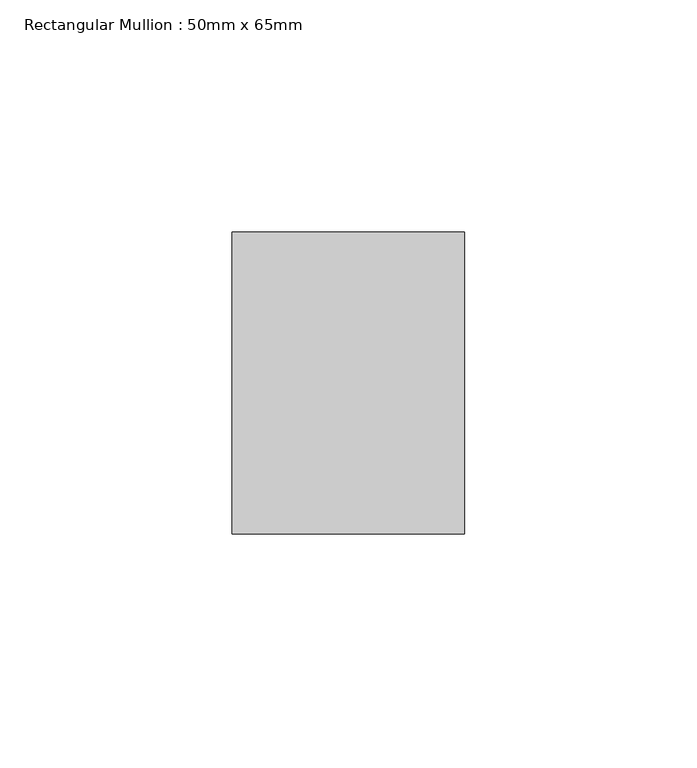
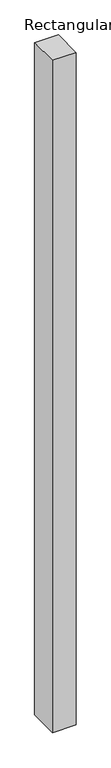
"""IFC4 building model written with IfcOpenShell, lengths in millimetres: member geometry, Rectangular Mullion : 50mm x 65mm."""

from ifc_helpers import new_model, si_unit, origin, place, context, project, spatial, faceted_brep, source, transform, mapped, element, save


def rectangular_mullion_50mm_x_65mm_5e16e530(model_context):
    return source(origin(), model_context, "Body", "Brep", [
        faceted_brep([(-25.0, 32.5, -0.0443359), (25.0, 32.5, -0.0443355), (25.0, 32.5, -1499.9018865), (-25.0, 32.5, -1499.9018857), (-25.0, -32.5, 0.0443355), (-25.0, -32.5, -1500.0980618), (25.0, -32.5, 0.0443359), (25.0, -32.5, -1500.0980625)], [[[0, 1, 2, 3]], [[4, 0, 3, 5]], [[6, 4, 5, 7]], [[1, 6, 7, 2]], [[1, 0, 4, 6]], [[2, 7, 5, 3]]]),
    ])


if __name__ == "__main__":
    model = new_model("IFC4")
    model_context = context("Model", 3, world=origin())
    ifc_project = project(units=[si_unit("LENGTHUNIT", "METRE", prefix="MILLI")], contexts=[model_context])
    site = spatial("IfcSite", under=ifc_project)
    building = spatial("IfcBuilding", under=site)
    placement = place(None, origin())
    rectangular_mullion_50mm_x_65mm_shape = rectangular_mullion_50mm_x_65mm_5e16e530(model_context)
    element("IfcMember", 1, ObjectType="Rectangular Mullion : 50mm x 65mm", at=placement, inside=building, context=model_context, shape_type="MappedRepresentation", body=[
        mapped(rectangular_mullion_50mm_x_65mm_shape, transform((0.0, 0.0, 0.0), x_axis=(1.0, 0.0, 0.0), y_axis=(0.0, 1.0, 0.0), z_axis=(0.0, 0.0, 1.0))),
    ])
    save(model, "model.ifc")
